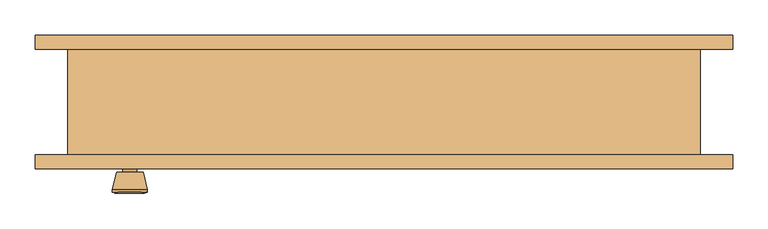
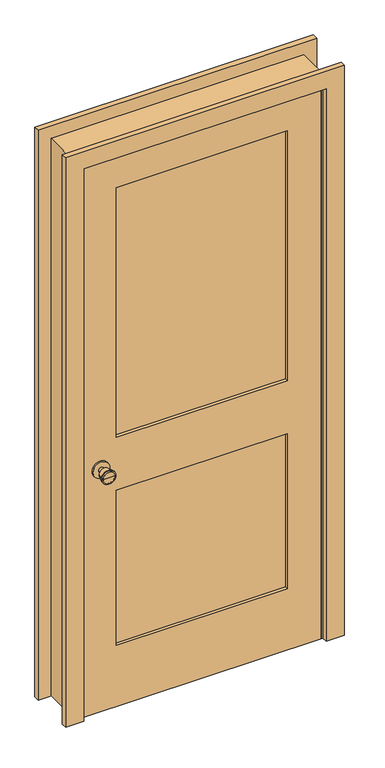
"""IFC4 building model written with IfcOpenShell, lengths in millimetres: door geometry."""

from ifc_helpers import new_model, si_unit, point, frame, frame_2d, origin, place, context, project, spatial, polyline, circle_curve, trimmed, segment, composite_curve, outline, extrude, faceted_brep, source, transform, mapped, element, save
from ifc_brep_helpers import plane_surface, cylinder_surface, revolved_surface, advanced_brep


def door_f051a573(model_context):
    return source(origin(), model_context, "Body", "SolidModel", [
        advanced_brep(
        [(-361.5, -30.825, 914.4), (-371.5, -30.825, 914.4), (-351.5, -30.825, 914.4), (-341.0241324, 18.175, 914.4), (-381.9758676, 18.175, 914.4), (-361.5, 18.175, 914.4), (-336.5, 16.3471319, 914.4), (-386.5, 16.3471319, 914.4), (-336.5, 12.8834537, 914.4), (-386.5, 12.8834537, 914.4), (-342.863764, -11.825, 914.4), (-380.136236, -11.825, 914.4), (-351.5, -11.825, 914.4), (-371.5, -11.825, 914.4)],
        [
            (0, 1),
            (1, 2, circle_curve(frame((-361.5, -30.825, 914.4), z_axis=(0.0, -1.0, 0.0), x_axis=(-1.0, 0.0, 0.0)), 10.0)),
            (2, 0),
            (2, 1, circle_curve(frame((-361.5, -30.825, 914.4), z_axis=(0.0, -1.0, 0.0), x_axis=(-1.0, 0.0, 0.0)), 10.0)),
            (3, 4, circle_curve(frame((-361.5, 18.175, 914.4), z_axis=(0.0, 1.0, 0.0), x_axis=(-1.0, 0.0, 0.0)), 20.4758676)),
            (4, 5),
            (5, 3),
            (4, 3, circle_curve(frame((-361.5, 18.175, 914.4), z_axis=(0.0, 1.0, 0.0), x_axis=(-1.0, 0.0, 0.0)), 20.4758676)),
            (6, 7, circle_curve(frame((-361.5, 16.3471319, 914.4), z_axis=(0.0, 1.0, 0.0), x_axis=(-1.0, 0.0, 0.0)), 25.0)),
            (7, 4),
            (3, 6),
            (7, 6, circle_curve(frame((-361.5, 16.3471319, 914.4), z_axis=(0.0, 1.0, 0.0), x_axis=(-1.0, 0.0, 0.0)), 25.0)),
            (8, 9, circle_curve(frame((-361.5, 12.8834537, 914.4), z_axis=(0.0, 1.0, 0.0), x_axis=(-1.0, 0.0, 0.0)), 25.0)),
            (9, 7),
            (6, 8),
            (9, 8, circle_curve(frame((-361.5, 12.8834537, 914.4), z_axis=(0.0, 1.0, 0.0), x_axis=(-1.0, 0.0, 0.0)), 25.0)),
            (10, 11, circle_curve(frame((-361.5, -11.825, 914.4), z_axis=(0.0, 1.0, 0.0), x_axis=(-1.0, 0.0, 0.0)), 18.636236)),
            (11, 9),
            (8, 10),
            (11, 10, circle_curve(frame((-361.5, -11.825, 914.4), z_axis=(0.0, 1.0, 0.0), x_axis=(-1.0, 0.0, 0.0)), 18.636236)),
            (12, 13, circle_curve(frame((-361.5, -11.825, 914.4), z_axis=(0.0, 1.0, 0.0), x_axis=(-1.0, 0.0, 0.0)), 10.0)),
            (13, 11),
            (10, 12),
            (13, 12, circle_curve(frame((-361.5, -11.825, 914.4), z_axis=(0.0, 1.0, 0.0), x_axis=(-1.0, 0.0, 0.0)), 10.0)),
            (1, 13),
            (12, 2),
        ],
        [
            plane_surface(frame((-361.5, -30.825, 914.4), z_axis=(0.0, -1.0, 0.0), x_axis=(-1.0, 0.0, 0.0))),
            plane_surface(frame((-361.5, 18.175, 914.4), z_axis=(0.0, 1.0, 0.0), x_axis=(-1.0, 0.0, 0.0))),
            revolved_surface(polyline([(-381.9758676, 18.175, 914.4), (-386.5, 16.3471319, 914.4)]), (-361.5, -30.825, 914.4), (0.0, -1.0, 0.0)),
            cylinder_surface(frame((-361.5, -30.825, 914.4), z_axis=(0.0, -1.0, 0.0), x_axis=(-1.0, 0.0, 0.0)), 25.0),
            revolved_surface(polyline([(-386.5, 12.8834537, 914.4), (-380.136236, -11.825, 914.4)]), (-361.5, -30.825, 914.4), (0.0, -1.0, 0.0)),
            plane_surface(frame((-361.5, -11.825, 914.4), z_axis=(0.0, -1.0, 0.0), x_axis=(-1.0, 0.0, 0.0))),
            cylinder_surface(frame((-361.5, -30.825, 914.4), z_axis=(0.0, -1.0, 0.0), x_axis=(-1.0, 0.0, 0.0)), 10.0),
        ],
        [
            (0, [[1, 2, 3]]),
            (0, [[-3, 4, -1]]),
            (1, [[5, 6, 7]]),
            (1, [[8, -7, -6]]),
            (2, [[9, 10, -5, 11]]),
            (2, [[12, -11, -8, -10]]),
            (3, [[13, 14, -9, 15]]),
            (3, [[16, -15, -12, -14]]),
            (4, [[17, 18, -13, 19]]),
            (4, [[20, -19, -16, -18]]),
            (5, [[21, 22, -17, 23]]),
            (5, [[24, -23, -20, -22]]),
            (6, [[-2, 25, -21, 26]]),
            (6, [[-4, -26, -24, -25]]),
        ],
    ),
        extrude(outline(composite_curve([segment(trimmed(circle_curve(frame_2d((914.4, -361.5)), 30.0), [point((914.4, -391.5))], [point((914.4, -331.5))], False, "CARTESIAN"), True, "CONTINUOUS"), segment(trimmed(circle_curve(frame_2d((914.4, -361.5)), 30.0), [point((914.4, -331.5))], [point((914.4, -391.5))], False, "CARTESIAN"), True, "CONTINUOUS")], self_intersect=False)), frame((0.0, -36.825, 0.0), z_axis=(0.0, 1.0, 0.0), x_axis=(0.0, 0.0, 1.0)), (0.0, 0.0, 1.0), 6.0),
        advanced_brep(
        [(-361.5, -77.825, 914.4), (-351.5, -77.825, 914.4), (-371.5, -77.825, 914.4), (-341.0241324, -126.825, 914.4), (-361.5, -126.825, 914.4), (-381.9758676, -126.825, 914.4), (-336.5, -124.9971319, 914.4), (-386.5, -124.9971319, 914.4), (-336.5, -121.5334537, 914.4), (-386.5, -121.5334537, 914.4), (-342.863764, -96.825, 914.4), (-380.136236, -96.825, 914.4), (-351.5, -96.825, 914.4), (-371.5, -96.825, 914.4)],
        [
            (0, 1),
            (1, 2, circle_curve(frame((-361.5, -77.825, 914.4), z_axis=(0.0, 1.0, 0.0), x_axis=(-1.0, 0.0, 0.0)), 10.0)),
            (2, 0),
            (2, 1, circle_curve(frame((-361.5, -77.825, 914.4), z_axis=(0.0, 1.0, 0.0), x_axis=(-1.0, 0.0, 0.0)), 10.0)),
            (3, 4),
            (4, 5),
            (5, 3, circle_curve(frame((-361.5, -126.825, 914.4), z_axis=(0.0, -1.0, 0.0), x_axis=(-1.0, 0.0, 0.0)), 20.4758676)),
            (3, 5, circle_curve(frame((-361.5, -126.825, 914.4), z_axis=(0.0, -1.0, 0.0), x_axis=(-1.0, 0.0, 0.0)), 20.4758676)),
            (6, 3),
            (5, 7),
            (7, 6, circle_curve(frame((-361.5, -124.9971319, 914.4), z_axis=(0.0, -1.0, 0.0), x_axis=(-1.0, 0.0, 0.0)), 25.0)),
            (6, 7, circle_curve(frame((-361.5, -124.9971319, 914.4), z_axis=(0.0, -1.0, 0.0), x_axis=(-1.0, 0.0, 0.0)), 25.0)),
            (8, 6),
            (7, 9),
            (9, 8, circle_curve(frame((-361.5, -121.5334537, 914.4), z_axis=(0.0, -1.0, 0.0), x_axis=(-1.0, 0.0, 0.0)), 25.0)),
            (8, 9, circle_curve(frame((-361.5, -121.5334537, 914.4), z_axis=(0.0, -1.0, 0.0), x_axis=(-1.0, 0.0, 0.0)), 25.0)),
            (10, 8),
            (9, 11),
            (11, 10, circle_curve(frame((-361.5, -96.825, 914.4), z_axis=(0.0, -1.0, 0.0), x_axis=(-1.0, 0.0, 0.0)), 18.636236)),
            (10, 11, circle_curve(frame((-361.5, -96.825, 914.4), z_axis=(0.0, -1.0, 0.0), x_axis=(-1.0, 0.0, 0.0)), 18.636236)),
            (12, 10),
            (11, 13),
            (13, 12, circle_curve(frame((-361.5, -96.825, 914.4), z_axis=(0.0, -1.0, 0.0), x_axis=(-1.0, 0.0, 0.0)), 10.0)),
            (12, 13, circle_curve(frame((-361.5, -96.825, 914.4), z_axis=(0.0, -1.0, 0.0), x_axis=(-1.0, 0.0, 0.0)), 10.0)),
            (1, 12),
            (13, 2),
        ],
        [
            plane_surface(frame((-361.5, -77.825, 914.4), z_axis=(0.0, 1.0, 0.0), x_axis=(-1.0, 0.0, 0.0))),
            plane_surface(frame((-361.5, -126.825, 914.4), z_axis=(0.0, -1.0, 0.0), x_axis=(-1.0, 0.0, 0.0))),
            revolved_surface(polyline([(-381.9758676, -126.825, 914.4), (-386.5, -124.9971319, 914.4)]), (-361.5, -77.825, 914.4), (0.0, 1.0, 0.0)),
            cylinder_surface(frame((-361.5, -77.825, 914.4), z_axis=(0.0, 1.0, 0.0), x_axis=(-1.0, 0.0, 0.0)), 25.0),
            revolved_surface(polyline([(-386.5, -121.5334537, 914.4), (-380.136236, -96.825, 914.4)]), (-361.5, -77.825, 914.4), (0.0, 1.0, 0.0)),
            plane_surface(frame((-361.5, -96.825, 914.4), z_axis=(0.0, 1.0, 0.0), x_axis=(-1.0, 0.0, 0.0))),
            cylinder_surface(frame((-361.5, -77.825, 914.4), z_axis=(0.0, 1.0, 0.0), x_axis=(-1.0, 0.0, 0.0)), 10.0),
        ],
        [
            (0, [[1, 2, 3]]),
            (0, [[-3, 4, -1]]),
            (1, [[5, 6, 7]]),
            (1, [[-6, -5, 8]]),
            (2, [[9, -7, 10, 11]]),
            (2, [[-10, -8, -9, 12]]),
            (3, [[13, -11, 14, 15]]),
            (3, [[-14, -12, -13, 16]]),
            (4, [[17, -15, 18, 19]]),
            (4, [[-18, -16, -17, 20]]),
            (5, [[21, -19, 22, 23]]),
            (5, [[-22, -20, -21, 24]]),
            (6, [[25, -23, 26, -2]]),
            (6, [[-26, -24, -25, -4]]),
        ],
    ),
        extrude(outline(composite_curve([segment(trimmed(circle_curve(frame_2d((914.4, -361.5)), 30.0), [point((914.4, -391.5))], [point((914.4, -331.5))], False, "CARTESIAN"), True, "CONTINUOUS"), segment(trimmed(circle_curve(frame_2d((914.4, -361.5)), 30.0), [point((914.4, -331.5))], [point((914.4, -391.5))], False, "CARTESIAN"), True, "CONTINUOUS")], self_intersect=False)), frame((0.0, -77.825, 0.0), z_axis=(0.0, 1.0, 0.0), x_axis=(0.0, 0.0, 1.0)), (0.0, 0.0, 1.0), 6.0),
        extrude(outline(polyline([(305.0, -48.4916667), (305.0, -60.1583333), (-305.0, -60.1583333), (-305.0, -48.4916667), (305.0, -48.4916667)])), frame((0.0, 0.0, 1014.4), z_axis=(0.0, 0.0, 1.0), x_axis=(1.0, 0.0, 0.0)), (0.0, 0.0, 1.0), 940.6),
        extrude(outline(polyline([(305.0, -48.4916667), (305.0, -60.1583333), (-305.0, -60.1583333), (-305.0, -48.4916667), (305.0, -48.4916667)])), frame((0.0, 0.0, 230.0), z_axis=(0.0, 0.0, 1.0), x_axis=(1.0, 0.0, 0.0)), (0.0, 0.0, 1.0), 584.4),
        extrude(outline(polyline([(2075.0, -425.0), (0.0, -425.0), (0.0, 425.0), (2075.0, 425.0), (2075.0, -425.0)]), holes=[polyline([(1955.0, -305.0), (1955.0, 305.0), (1014.4, 305.0), (1014.4, -305.0), (1955.0, -305.0)]), polyline([(814.4, -305.0), (814.4, 305.0), (230.0, 305.0), (230.0, -305.0), (814.4, -305.0)])]), frame((0.0, -71.825, 0.0), z_axis=(0.0, 1.0, 0.0), x_axis=(0.0, 0.0, 1.0)), (0.0, 0.0, 1.0), 35.0),
        faceted_brep([(450.0, -71.825, 0.0), (425.0, -71.825, 0.0), (425.0, -36.825, 0.0), (412.3, -36.825, 0.0), (412.3, -1.9, 0.0), (425.0, -1.9, 0.0), (425.0, 78.175, 0.0), (450.0, 78.175, 0.0), (450.0, 78.175, 2100.0), (450.0, -71.825, 2100.0), (425.0, 78.175, 2075.0), (-425.0, 78.175, 2075.0), (-425.0, 78.175, 0.0), (-450.0, 78.175, 0.0), (-450.0, 78.175, 2100.0), (425.0, -1.9, 2075.0), (412.3, -1.9, 2062.3), (-412.3, -1.9, 2062.3), (-412.3, -1.9, 0.0), (-425.0, -1.9, 0.0), (-425.0, -1.9, 2075.0), (412.3, -36.825, 2062.3), (425.0, -36.825, 2075.0), (-425.0, -36.825, 2075.0), (-425.0, -36.825, 0.0), (-412.3, -36.825, 0.0), (-412.3, -36.825, 2062.3), (425.0, -71.825, 2075.0), (-450.0, -71.825, 2100.0), (-450.0, -71.825, 0.0), (-425.0, -71.825, 0.0), (-425.0, -71.825, 2075.0)], [[[0, 1, 2, 3, 4, 5, 6, 7]], [[7, 8, 9, 0]], [[6, 10, 11, 12, 13, 14, 8, 7]], [[5, 15, 10, 6]], [[4, 16, 17, 18, 19, 20, 15, 5]], [[3, 21, 16, 4]], [[2, 22, 23, 24, 25, 26, 21, 3]], [[1, 27, 22, 2]], [[0, 9, 28, 29, 30, 31, 27, 1]], [[8, 14, 28, 9]], [[15, 20, 11, 10]], [[21, 26, 17, 16]], [[27, 31, 23, 22]], [[29, 13, 12, 19, 18, 25, 24, 30]], [[14, 13, 29, 28]], [[20, 19, 12, 11]], [[26, 25, 18, 17]], [[31, 30, 24, 23]]]),
        extrude(outline(polyline([(0.0, 496.35), (2146.35, 496.35), (2146.35, -496.35), (0.0, -496.35), (0.0, -431.35), (2081.35, -431.35), (2081.35, 431.35), (0.0, 431.35), (0.0, 496.35)])), frame((0.0, 78.175, 0.0), z_axis=(0.0, 1.0, 0.0), x_axis=(0.0, 0.0, 1.0)), (0.0, 0.0, 1.0), 20.0),
        extrude(outline(polyline([(0.0, 496.35), (2146.35, 496.35), (2146.35, -496.35), (0.0, -496.35), (0.0, -431.35), (2081.35, -431.35), (2081.35, 431.35), (0.0, 431.35), (0.0, 496.35)])), frame((0.0, -91.825, 0.0), z_axis=(0.0, 1.0, 0.0), x_axis=(0.0, 0.0, 1.0)), (0.0, 0.0, 1.0), 20.0),
    ])


if __name__ == "__main__":
    model = new_model("IFC4")
    model_context = context("Model", 3, world=origin())
    ifc_project = project(units=[si_unit("LENGTHUNIT", "METRE", prefix="MILLI")], contexts=[model_context])
    site = spatial("IfcSite", under=ifc_project)
    building = spatial("IfcBuilding", under=site)
    placement = place(None, origin())
    door_shape = door_f051a573(model_context)
    element("IfcDoor", 1, at=placement, inside=building, context=model_context, shape_type="MappedRepresentation", body=[
        mapped(door_shape, transform((0.0, 0.0, 0.0), x_axis=(1.0, 0.0, 0.0), y_axis=(0.0, 1.0, 0.0), z_axis=(0.0, 0.0, 1.0))),
    ])
    save(model, "model.ifc")
